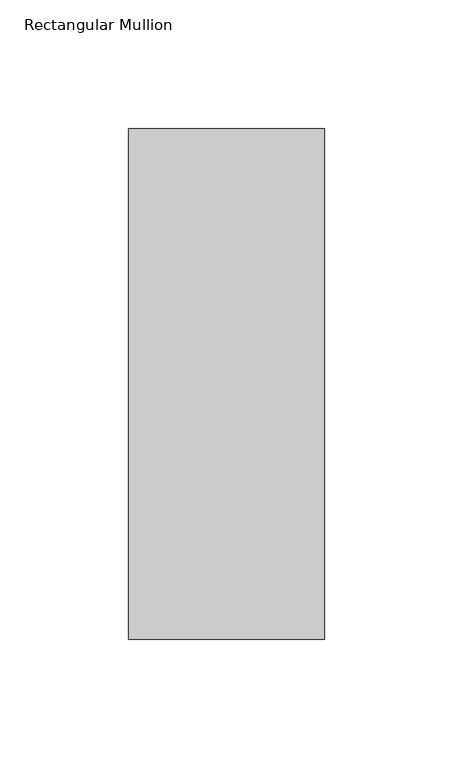
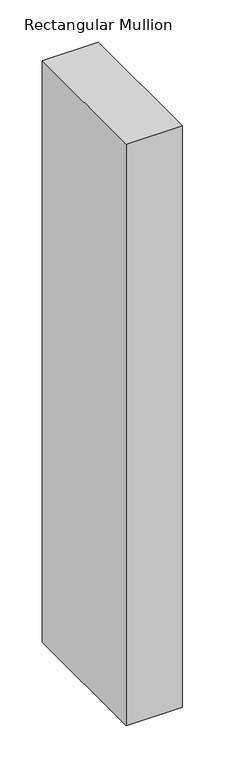
"""IFC4 building model written with IfcOpenShell, lengths in millimetres: member geometry, Rectangular Mullion."""

from ifc_helpers import new_model, si_unit, frame, origin, place, context, project, spatial, polyline, outline, extrude, source, transform, mapped, element, save


def rectangular_mullion_b5ab190d(model_context):
    return source(origin(), model_context, "Body", "SweptSolid", [
        extrude(outline(polyline([(38.1, -156.36875), (-38.1, -156.36875), (-38.1, 42.06875), (38.1, 42.06875), (38.1, -156.36875)])), frame((0.0, 0.0, -838.2), z_axis=(0.0, 0.0, 1.0), x_axis=(1.0, 0.0, 0.0)), (0.0, 0.0, 1.0), 838.2),
    ])


if __name__ == "__main__":
    model = new_model("IFC4")
    model_context = context("Model", 3, world=origin())
    ifc_project = project(units=[si_unit("LENGTHUNIT", "METRE", prefix="MILLI")], contexts=[model_context])
    site = spatial("IfcSite", under=ifc_project)
    building = spatial("IfcBuilding", under=site)
    placement = place(None, origin())
    rectangular_mullion_shape = rectangular_mullion_b5ab190d(model_context)
    element("IfcMember", 1, ObjectType="Rectangular Mullion", at=placement, inside=building, context=model_context, shape_type="MappedRepresentation", body=[
        mapped(rectangular_mullion_shape, transform((0.0, 0.0, 0.0), x_axis=(1.0, 0.0, 0.0), y_axis=(0.0, 1.0, 0.0), z_axis=(0.0, 0.0, 1.0))),
    ])
    save(model, "model.ifc")
